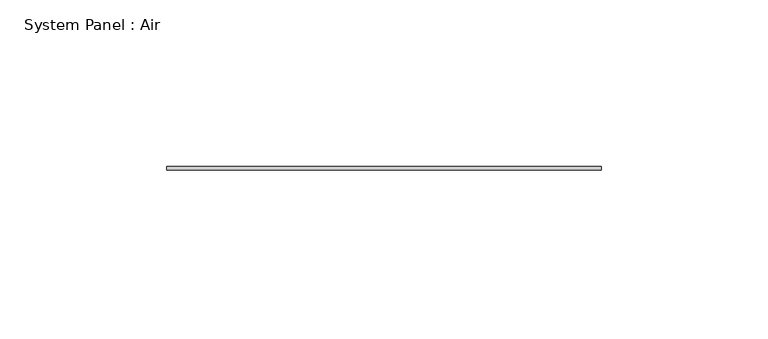
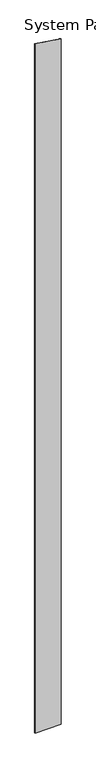
"""IFC4 building model written with IfcOpenShell, lengths in millimetres: plate geometry, System Panel : Air."""

from ifc_helpers import new_model, si_unit, frame, origin, place, context, project, spatial, polyline, outline, extrude, source, transform, mapped, element, save


def system_panel_air_e8bec829(model_context):
    return source(origin(), model_context, "Body", "SweptSolid", [
        extrude(outline(polyline([(0.0, -65.0), (0.0, 65.0), (3585.9047482, 65.0), (3605.1592483, -65.0), (0.0, -65.0)])), frame((0.0, 36.5, 0.0), z_axis=(0.0, 1.0, 0.0), x_axis=(0.0, 0.0, 1.0)), (0.0, 0.0, 1.0), 1.0),
    ])


if __name__ == "__main__":
    model = new_model("IFC4")
    model_context = context("Model", 3, world=origin())
    ifc_project = project(units=[si_unit("LENGTHUNIT", "METRE", prefix="MILLI")], contexts=[model_context])
    site = spatial("IfcSite", under=ifc_project)
    building = spatial("IfcBuilding", under=site)
    placement = place(None, origin())
    system_panel_air_shape = system_panel_air_e8bec829(model_context)
    element("IfcPlate", 1, ObjectType="System Panel : Air", at=placement, inside=building, context=model_context, shape_type="MappedRepresentation", body=[
        mapped(system_panel_air_shape, transform((0.0, 0.0, 0.0), x_axis=(1.0, 0.0, 0.0), y_axis=(0.0, 1.0, 0.0), z_axis=(0.0, 0.0, 1.0))),
    ])
    save(model, "model.ifc")
